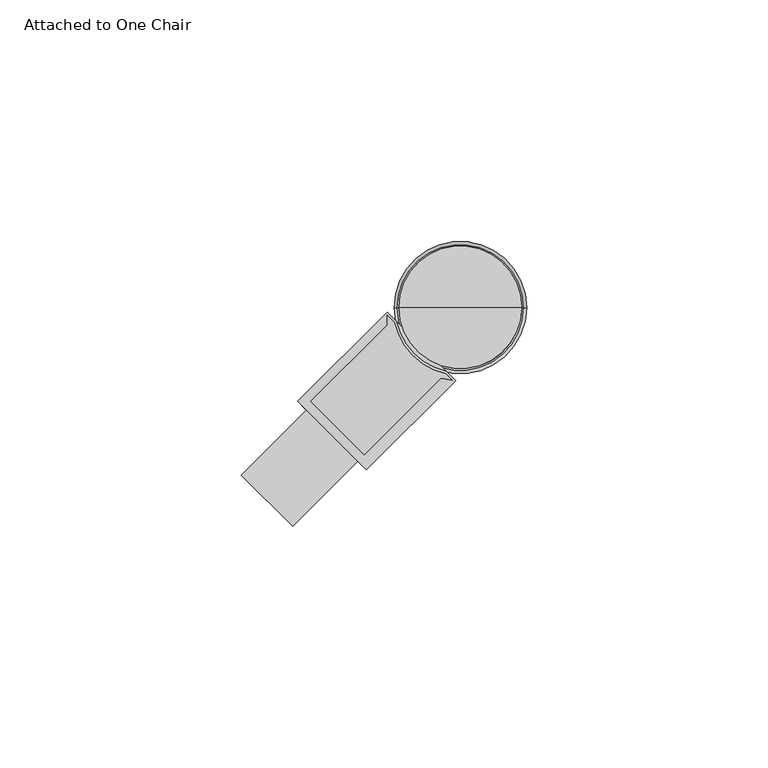
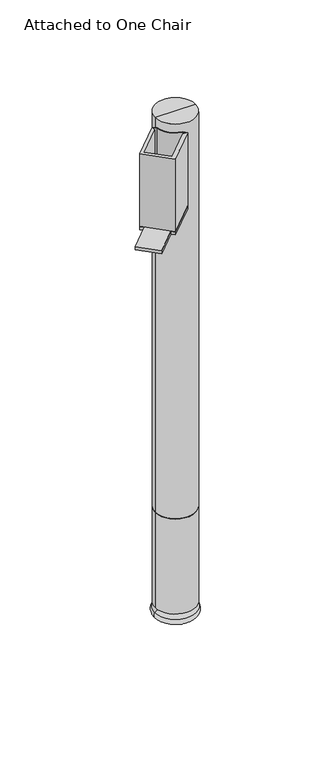
"""IFC4 building model written with IfcOpenShell, lengths in millimetres: furniture geometry, Attached to One Chair."""

from ifc_helpers import new_model, si_unit, point, frame, frame_2d, origin, place, context, project, spatial, polyline, circle_curve, ellipse_curve, trimmed, segment, composite_curve, outline, extrude, faceted_brep, source, transform, mapped, element, save
from ifc_brep_helpers import plane_surface, cylinder_surface, revolved_surface, advanced_brep


def attached_to_one_chair_6f6500cb(model_context):
    return source(origin(), model_context, "Body", "SolidModel", [
        faceted_brep([(-62.2401553, -48.0513502, 281.1780044), (-60.4441031, -49.8474025, 281.1780044), (-73.9144882, -63.3177876, 281.1780044), (-63.3177876, -73.9144882, 281.1780044), (-49.8222451, -60.4189456, 281.1780044), (-48.0261928, -62.2149979, 281.1780044), (-29.5699838, -43.7587889, 281.1780044), (-37.1917946, -36.1369704, 281.1780044), (-43.7587889, -29.5699838, 281.1780044), (-62.2401553, -48.0513502, 279.2729971), (-43.7587889, -29.5699838, 279.2729971), (-37.1917951, -36.1369709, 279.2729971), (-29.5699838, -43.7587889, 279.2729971), (-48.0261928, -62.2149979, 279.2729971), (-49.8222451, -60.4189456, 279.2729971), (-63.3177876, -73.9144882, 279.2729971), (-73.9144882, -63.3177876, 279.2729971), (-60.4441031, -49.8474025, 279.2729971)], [[[0, 1, 2, 3, 4, 5, 6, 7, 8]], [[9, 10, 11, 12, 13, 14, 15, 16, 17]], [[1, 0, 9, 17]], [[2, 1, 17, 16]], [[3, 2, 16, 15]], [[4, 3, 15, 14]], [[5, 4, 14, 13]], [[6, 5, 13, 12]], [[7, 6, 12, 11]], [[8, 7, 11, 10]], [[0, 8, 10, 9]]]),
        extrude(outline(composite_curve([segment(polyline([(-62.2149979, -48.0261928), (-43.7587889, -29.5699838), (-41.8261144, -31.5026583)]), True, "CONTINUOUS"), segment(trimmed(circle_curve(frame_2d((-28.5754474, -28.5643642)), 13.5725365), [point((-41.8261144, -31.5026583))], [point((-31.5137414, -41.8150312))], True, "CARTESIAN"), True, "CONTINUOUS"), segment(polyline([(-31.5137414, -41.8150312), (-29.5699838, -43.7587889), (-48.0261928, -62.2149979), (-62.2149979, -48.0261928)]), True, "CONTINUOUS")], self_intersect=False), holes=[composite_curve([segment(polyline([(-43.7538428, -32.2591138), (-59.5209195, -48.0261905), (-48.4752025, -59.0719076), (-32.678306, -43.2750066), (-30.2876037, -43.6470978), (-31.6237174, -42.3109841)]), True, "CONTINUOUS"), segment(trimmed(circle_curve(frame_2d((-28.5754474, -28.5643642)), 14.0805365), [point((-31.6237174, -42.3109841))], [point((-42.3081688, -31.6746489))], False, "CARTESIAN"), True, "CONTINUOUS"), segment(polyline([(-42.3081688, -31.6746489), (-43.7575837, -30.225234), (-43.7538428, -32.2591138)]), True, "CONTINUOUS")], self_intersect=False)]), frame((0.0, 0.0, 281.1780044), z_axis=(0.0, 0.0, 1.0), x_axis=(1.0, 0.0, 0.0)), (0.0, 0.0, 1.0), 48.8949806),
        advanced_brep(
        [(-15.8754481, -28.5643642, 70.9421996), (-41.2754466, -28.5643642, 70.9421996), (-28.5754474, -28.5643642, 70.9421996), (-15.8754481, -28.5643642, 7.4421999), (-41.2754466, -28.5643642, 7.4421999), (-18.7517578, -28.5643642, 7.4421999), (-38.3991369, -28.5643642, 7.4421999), (-15.5481652, -28.5643642, 4.1308705), (-41.6027295, -28.5643642, 4.1308705), (-17.2993788, -28.5643642, 0.0), (-39.851516, -28.5643642, 0.0), (-28.5754474, -28.5643642, 0.0)],
        [
            (0, 1, circle_curve(frame((-28.5754474, -28.5643642, 70.9421996), z_axis=(0.0, 0.0, 1.0), x_axis=(-1.0, 0.0, 0.0)), 12.6999992)),
            (1, 2),
            (2, 0),
            (1, 0, circle_curve(frame((-28.5754474, -28.5643642, 70.9421996), z_axis=(0.0, 0.0, 1.0), x_axis=(-1.0, 0.0, 0.0)), 12.6999992)),
            (3, 4, circle_curve(frame((-28.5754474, -28.5643642, 7.4421999), z_axis=(0.0, 0.0, 1.0), x_axis=(-1.0, 0.0, 0.0)), 12.6999992)),
            (4, 1),
            (0, 3),
            (4, 3, circle_curve(frame((-28.5754474, -28.5643642, 7.4421999), z_axis=(0.0, 0.0, 1.0), x_axis=(-1.0, 0.0, 0.0)), 12.6999992)),
            (5, 6, circle_curve(frame((-28.5754474, -28.5643642, 7.4421999), z_axis=(0.0, 0.0, 1.0), x_axis=(-1.0, 0.0, 0.0)), 9.8236895)),
            (6, 4),
            (3, 5),
            (6, 5, circle_curve(frame((-28.5754474, -28.5643642, 7.4421999), z_axis=(0.0, 0.0, 1.0), x_axis=(-1.0, 0.0, 0.0)), 9.8236895)),
            (7, 8, circle_curve(frame((-28.5754474, -28.5643642, 4.1308705), z_axis=(0.0, 0.0, 1.0), x_axis=(-1.0, 0.0, 0.0)), 13.0272821)),
            (8, 6),
            (5, 7),
            (8, 7, circle_curve(frame((-28.5754474, -28.5643642, 4.1308705), z_axis=(0.0, 0.0, 1.0), x_axis=(-1.0, 0.0, 0.0)), 13.0272821)),
            (9, 10, circle_curve(frame((-28.5754474, -28.5643642, 0.0), z_axis=(0.0, 0.0, 1.0), x_axis=(-1.0, 0.0, 0.0)), 11.2760686)),
            (10, 8, circle_curve(frame((-39.851516, -28.5643642, 2.4366341), z_axis=(0.0, 1.0, 0.0), x_axis=(1.0, 0.0, 0.0)), 2.4366341)),
            (7, 9, circle_curve(frame((-17.2993788, -28.5643642, 2.4366341), z_axis=(0.0, 1.0, 0.0), x_axis=(-1.0, 0.0, 0.0)), 2.4366341)),
            (10, 9, circle_curve(frame((-28.5754474, -28.5643642, 0.0), z_axis=(0.0, 0.0, 1.0), x_axis=(-1.0, 0.0, 0.0)), 11.2760686)),
            (11, 10),
            (9, 11),
        ],
        [
            plane_surface(frame((-28.5754474, -28.5643642, 70.9421996), z_axis=(0.0, 0.0, 1.0), x_axis=(-1.0, 0.0, 0.0))),
            cylinder_surface(frame((-28.5754474, -28.5643642, 70.9421996), z_axis=(0.0, 0.0, -1.0), x_axis=(-1.0, 0.0, 0.0)), 12.6999992),
            plane_surface(frame((-28.5754474, -28.5643642, 7.4421999), z_axis=(0.0, 0.0, -1.0), x_axis=(-1.0, 0.0, 0.0))),
            revolved_surface(polyline([(-38.3991369, -28.5643642, 7.4421999), (-41.6027295, -28.5643642, 4.1308705)]), (-28.5754474, -28.5643642, 70.9421996), (0.0, 0.0, -1.0)),
            revolved_surface(trimmed(ellipse_curve(frame((-39.851516, -28.5643642, 2.4366341), z_axis=(0.0, -1.0, 0.0), x_axis=(1.0, 0.0, 0.0)), 2.4366341, 2.4366341), [point((-41.6027295, -28.5643642, 4.1308705))], [point((-39.851516, -28.5643642, 0.0))], True, "CARTESIAN"), (-28.5754474, -28.5643642, 70.9421996), (0.0, 0.0, -1.0)),
            plane_surface(frame((-28.5754474, -28.5643642, 0.0), z_axis=(0.0, 0.0, -1.0), x_axis=(-1.0, 0.0, 0.0))),
        ],
        [
            (0, [[1, 2, 3]]),
            (0, [[4, -3, -2]]),
            (1, [[5, 6, -1, 7]]),
            (1, [[8, -7, -4, -6]]),
            (2, [[9, 10, -5, 11]]),
            (2, [[12, -11, -8, -10]]),
            (3, [[13, 14, -9, 15]]),
            (3, [[16, -15, -12, -14]]),
            (4, [[17, 18, -13, 19]]),
            (4, [[20, -19, -16, -18]]),
            (5, [[21, -17, 22]]),
            (5, [[-22, -20, -21]]),
        ],
    ),
        advanced_brep(
        [(-15.8754481, -28.5643642, 335.1021838), (-41.2754466, -28.5643642, 335.1021838), (-28.5754474, -28.5643642, 335.1021838), (-15.8754481, -28.5643642, 70.9421996), (-41.2754466, -28.5643642, 70.9421996), (-28.5754474, -28.5643642, 70.9421996)],
        [
            (0, 1, circle_curve(frame((-28.5754474, -28.5643642, 335.1021838), z_axis=(0.0, 0.0, 1.0), x_axis=(-1.0, 0.0, 0.0)), 12.6999992)),
            (1, 2),
            (2, 0),
            (1, 0, circle_curve(frame((-28.5754474, -28.5643642, 335.1021838), z_axis=(0.0, 0.0, 1.0), x_axis=(-1.0, 0.0, 0.0)), 12.6999992)),
            (3, 4, circle_curve(frame((-28.5754474, -28.5643642, 70.9421996), z_axis=(0.0, 0.0, 1.0), x_axis=(-1.0, 0.0, 0.0)), 12.6999992)),
            (4, 1),
            (0, 3),
            (4, 3, circle_curve(frame((-28.5754474, -28.5643642, 70.9421996), z_axis=(0.0, 0.0, 1.0), x_axis=(-1.0, 0.0, 0.0)), 12.6999992)),
            (5, 4),
            (3, 5),
        ],
        [
            plane_surface(frame((-28.5754474, -28.5643642, 335.1021838), z_axis=(0.0, 0.0, 1.0), x_axis=(-1.0, 0.0, 0.0))),
            cylinder_surface(frame((-28.5754474, -28.5643642, 70.9421996), z_axis=(0.0, 0.0, -1.0), x_axis=(-1.0, 0.0, 0.0)), 12.6999992),
            plane_surface(frame((-28.5754474, -28.5643642, 70.9421996), z_axis=(0.0, 0.0, -1.0), x_axis=(-1.0, 0.0, 0.0))),
        ],
        [
            (0, [[1, 2, 3]]),
            (0, [[4, -3, -2]]),
            (1, [[5, 6, -1, 7]]),
            (1, [[8, -7, -4, -6]]),
            (2, [[9, -5, 10]]),
            (2, [[-10, -8, -9]]),
        ],
    ),
    ])


if __name__ == "__main__":
    model = new_model("IFC4")
    model_context = context("Model", 3, world=origin())
    ifc_project = project(units=[si_unit("LENGTHUNIT", "METRE", prefix="MILLI")], contexts=[model_context])
    site = spatial("IfcSite", under=ifc_project)
    building = spatial("IfcBuilding", under=site)
    placement = place(None, origin())
    attached_to_one_chair_shape = attached_to_one_chair_6f6500cb(model_context)
    element("IfcFurniture", 1, ObjectType="Attached to One Chair", at=placement, inside=building, context=model_context, shape_type="MappedRepresentation", body=[
        mapped(attached_to_one_chair_shape, transform((0.0, 0.0, 0.0), x_axis=(1.0, 0.0, 0.0), y_axis=(0.0, 1.0, 0.0), z_axis=(0.0, 0.0, 1.0))),
    ])
    save(model, "model.ifc")
